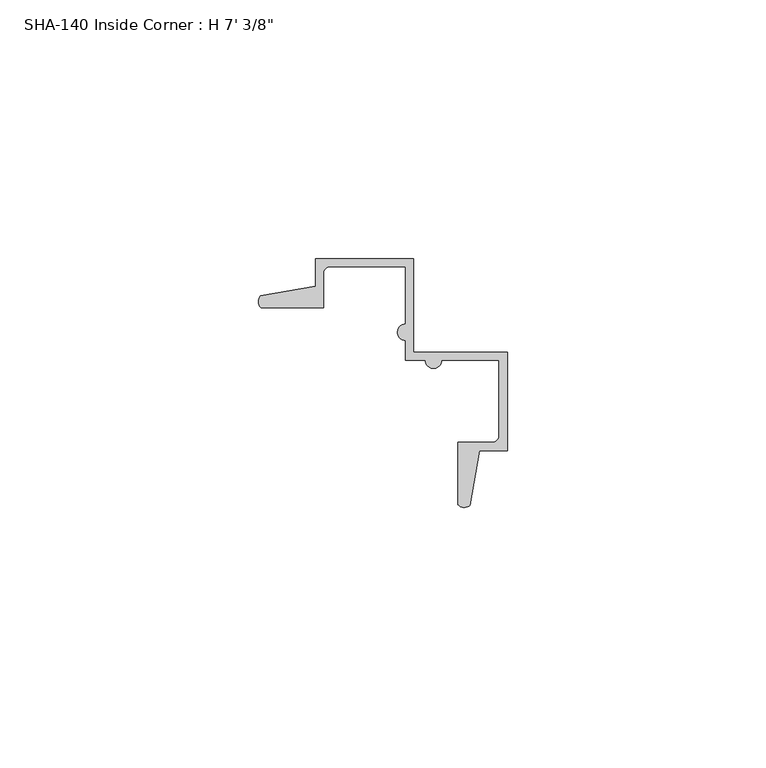
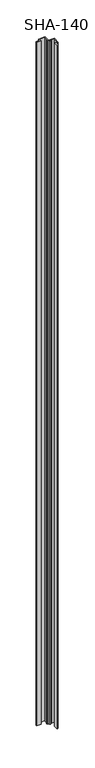
"""IFC4 building model written with IfcOpenShell, lengths in millimetres: proxy geometry."""

from ifc_helpers import new_model, si_unit, point, frame_2d, origin, origin_with_axes, place, context, project, spatial, polyline, circle_curve, trimmed, segment, composite_curve, outline, extrude, source, transform, mapped, element, save


def proxy_c5f0a056(model_context):
    return source(origin(), model_context, "Body", "SweptSolid", [
        extrude(outline(composite_curve([segment(polyline([(22.5074749, -10.2039449), (22.5074749, 4.4010551), (14.5572749, 4.4010551), (11.3695749, 4.4010551)]), True, "CONTINUOUS"), segment(trimmed(circle_curve(frame_2d((9.7947749, 4.4010551)), 1.5748), [point((11.3695749, 4.4010551))], [point((8.2199749, 4.4010551))], False, "CARTESIAN"), True, "CONTINUOUS"), segment(polyline([(8.2199749, 4.4010551), (4.3972749, 4.4010551), (4.3972749, 8.2237551)]), True, "CONTINUOUS"), segment(trimmed(circle_curve(frame_2d((4.3972749, 9.7985551)), 1.5748), [point((4.3972749, 8.2237551))], [point((4.3972749, 11.3733551))], False, "CARTESIAN"), True, "CONTINUOUS"), segment(polyline([(4.3972749, 11.3733551), (4.3972749, 14.5610551), (4.3972749, 22.5112551), (-10.2077251, 22.5112551)]), True, "CONTINUOUS"), segment(trimmed(circle_curve(frame_2d((-10.2077251, 21.2412551)), 1.27), [point((-10.2077251, 22.5112551))], [point((-11.4777251, 21.2412551))], True, "CARTESIAN"), True, "CONTINUOUS"), segment(polyline([(-11.4777251, 21.2412551), (-11.4777251, 14.5610551), (-23.5625282, 14.5610551)]), True, "CONTINUOUS"), segment(trimmed(circle_curve(frame_2d((-22.4717705, 15.7537316)), 1.6162393), [point((-23.5625282, 14.5610551))], [point((-23.628612, 16.8824244))], False, "CARTESIAN"), True, "CONTINUOUS"), segment(polyline([(-23.628612, 16.8824244), (-13.0525251, 18.6933982), (-13.0525251, 24.0860551), (5.9720749, 24.0860551), (5.9720749, 5.9758551), (24.0822749, 5.9758551), (24.0822749, -13.0487449), (18.689618, -13.0487449), (16.8786442, -23.6248318)]), True, "CONTINUOUS"), segment(trimmed(circle_curve(frame_2d((15.7499514, -22.4679903)), 1.6162393), [point((16.8786442, -23.6248318))], [point((14.5572749, -23.558748))], False, "CARTESIAN"), True, "CONTINUOUS"), segment(polyline([(14.5572749, -23.558748), (14.5572749, -11.4739449), (21.2374749, -11.4739449)]), True, "CONTINUOUS"), segment(trimmed(circle_curve(frame_2d((21.2374749, -10.2039449)), 1.27), [point((21.2374749, -11.4739449))], [point((22.5074749, -10.2039449))], True, "CARTESIAN"), True, "CONTINUOUS")], self_intersect=False)), origin_with_axes(), (0.0, 0.0, 1.0), 2143.125),
    ])


if __name__ == "__main__":
    model = new_model("IFC4")
    model_context = context("Model", 3, world=origin())
    ifc_project = project(units=[si_unit("LENGTHUNIT", "METRE", prefix="MILLI")], contexts=[model_context])
    site = spatial("IfcSite", under=ifc_project)
    building = spatial("IfcBuilding", under=site)
    placement = place(None, origin())
    proxy_shape = proxy_c5f0a056(model_context)
    element("IfcBuildingElementProxy", 1, Name="SHA-140 Inside Corner : H 7' 3/8\"", ObjectType="SHA-140 Inside Corner : H 7' 3/8\"", at=placement, inside=building, context=model_context, shape_type="MappedRepresentation", body=[
        mapped(proxy_shape, transform((0.0, 0.0, 0.0), x_axis=(1.0, 0.0, 0.0), y_axis=(0.0, 1.0, 0.0), z_axis=(0.0, 0.0, 1.0))),
    ])
    save(model, "model.ifc")
